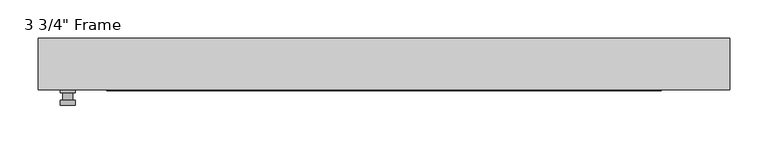
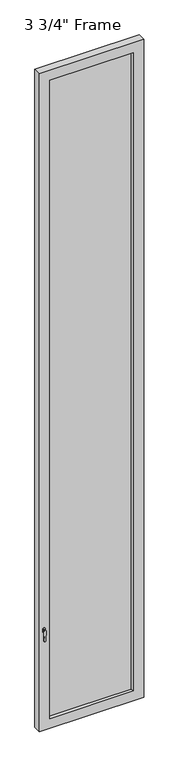
"""IFC4 building model written with IfcOpenShell, lengths in millimetres: plate geometry."""

from ifc_helpers import new_model, si_unit, frame, origin, place, context, project, spatial, polyline, circle_curve, outline, extrude, faceted_brep, source, transform, mapped, element, save
from ifc_brep_helpers import plane_surface, cylinder_surface, advanced_brep


def plate_3225b249(model_context):
    return source(origin(), model_context, "Body", "SolidModel", [
        advanced_brep(
        [(-401.6375, -33.3375, 927.1), (-401.6375, -33.3375, 901.7), (-420.6875, -33.3375, 901.7), (-420.6875, -33.3375, 927.1), (-404.8125, -46.0375, 914.4), (-417.5125, -46.0375, 914.4), (-417.5125, -36.5125, 914.4), (-404.8125, -36.5125, 914.4), (-401.6375, -46.0375, 914.4), (-404.8165356, -46.0375, 825.2736467), (-417.5084644, -46.0375, 825.2736467), (-420.6875, -46.0375, 914.4), (-401.6375, -52.3875, 914.4), (-420.6875, -52.3875, 914.4), (-417.5084644, -52.3875, 825.2736467), (-404.8165356, -52.3875, 825.2736467), (-401.6375, -36.5125, 927.1), (-420.6875, -36.5125, 927.1), (-420.6875, -36.5125, 901.7), (-401.6375, -36.5125, 901.7)],
        [
            (0, 1),
            (1, 2, circle_curve(frame((-411.1625, -33.3375, 901.7), z_axis=(0.0, 1.0, 0.0), x_axis=(-1.0, 0.0, 0.0)), 9.525)),
            (2, 3),
            (3, 0, circle_curve(frame((-411.1625, -33.3375, 927.1), z_axis=(0.0, 1.0, 0.0), x_axis=(-1.0, 0.0, 0.0)), 9.525)),
            (4, 5, circle_curve(frame((-411.1625, -46.0375, 914.4), z_axis=(0.0, 1.0, 0.0), x_axis=(-1.0, 0.0, 0.0)), 6.35)),
            (5, 6),
            (6, 7, circle_curve(frame((-411.1625, -36.5125, 914.4), z_axis=(0.0, -1.0, 0.0), x_axis=(-1.0, 0.0, 0.0)), 6.35)),
            (7, 4),
            (5, 4, circle_curve(frame((-411.1625, -46.0375, 914.4), z_axis=(0.0, 1.0, 0.0), x_axis=(-1.0, 0.0, 0.0)), 6.35)),
            (7, 6, circle_curve(frame((-411.1625, -36.5125, 914.4), z_axis=(0.0, -1.0, 0.0), x_axis=(-1.0, 0.0, 0.0)), 6.35)),
            (8, 9),
            (9, 10, circle_curve(frame((-411.1625, -46.0375, 825.5), z_axis=(0.0, 1.0, 0.0), x_axis=(-1.0, 0.0, 0.0)), 6.35)),
            (10, 11),
            (11, 8, circle_curve(frame((-411.1625, -46.0375, 914.4), z_axis=(0.0, 1.0, 0.0), x_axis=(-1.0, 0.0, 0.0)), 9.525)),
            (12, 13, circle_curve(frame((-411.1625, -52.3875, 914.4), z_axis=(0.0, -1.0, 0.0), x_axis=(-1.0, 0.0, 0.0)), 9.525)),
            (13, 14),
            (14, 15, circle_curve(frame((-411.1625, -52.3875, 825.5), z_axis=(0.0, -1.0, 0.0), x_axis=(-1.0, 0.0, 0.0)), 6.35)),
            (15, 12),
            (8, 12),
            (15, 9),
            (14, 10),
            (13, 11),
            (16, 17, circle_curve(frame((-411.1625, -36.5125, 927.1), z_axis=(0.0, -1.0, 0.0), x_axis=(-1.0, 0.0, 0.0)), 9.525)),
            (17, 18),
            (18, 19, circle_curve(frame((-411.1625, -36.5125, 901.7), z_axis=(0.0, -1.0, 0.0), x_axis=(-1.0, 0.0, 0.0)), 9.525)),
            (19, 16),
            (0, 16),
            (19, 1),
            (18, 2),
            (17, 3),
        ],
        [
            plane_surface(frame((-417.5125, -33.3375, 914.4), z_axis=(0.0, 1.0, 0.0), x_axis=(0.0, 0.0, 1.0))),
            cylinder_surface(frame((-411.1625, -46.0375, 914.4), z_axis=(0.0, 1.0, 0.0), x_axis=(-1.0, 0.0, 0.0)), 6.35),
            plane_surface(frame((-401.6375, -46.0375, 914.4), z_axis=(0.0, 1.0000000000000002, 0.0), x_axis=(-0.03564619348186888, 0.0, -0.9993644724975235))),
            plane_surface(frame((-401.6375, -52.3875, 914.4), z_axis=(0.0, -1.0000000000000002, 0.0), x_axis=(0.03564619348186888, 0.0, 0.9993644724975235))),
            plane_surface(frame((-401.6375, -46.0375, 914.4), z_axis=(0.9993644724975235, 0.0, -0.03564619348186888), x_axis=(0.0, -1.0, 0.0))),
            cylinder_surface(frame((-411.1625, -52.3875, 825.5), z_axis=(0.0, 1.0, 0.0), x_axis=(-1.0, 0.0, 0.0)), 6.35),
            plane_surface(frame((-417.5084644, -46.0375, 825.2736467), z_axis=(-0.9993644724975228, 0.0, -0.03564619348188612), x_axis=(0.0, -1.0, 0.0))),
            cylinder_surface(frame((-411.1625, -52.3875, 914.4), z_axis=(0.0, 1.0, 0.0), x_axis=(-1.0, 0.0, 0.0)), 9.525),
            plane_surface(frame((-401.6375, -36.5125, 901.7), z_axis=(0.0, -1.0, 0.0), x_axis=(0.0, 0.0, 1.0))),
            plane_surface(frame((-401.6375, -33.3375, 927.1), z_axis=(1.0, 0.0, 0.0), x_axis=(0.0, -1.0, 0.0))),
            cylinder_surface(frame((-411.1625, -36.5125, 901.7), z_axis=(0.0, 1.0, 0.0), x_axis=(-1.0, 0.0, 0.0)), 9.525),
            plane_surface(frame((-420.6875, -33.3375, 901.7), z_axis=(-1.0, 0.0, 0.0), x_axis=(0.0, -1.0, 0.0))),
            cylinder_surface(frame((-411.1625, -36.5125, 927.1), z_axis=(0.0, 1.0, 0.0), x_axis=(-1.0, 0.0, 0.0)), 9.525),
        ],
        [
            (0, [[1, 2, 3, 4]]),
            (1, [[5, 6, 7, 8]]),
            (1, [[9, -8, 10, -6]]),
            (2, [[11, 12, 13, 14], [-5, -9]]),
            (3, [[15, 16, 17, 18]]),
            (4, [[-11, 19, -18, 20]]),
            (5, [[-12, -20, -17, 21]]),
            (6, [[-13, -21, -16, 22]]),
            (7, [[-14, -22, -15, -19]]),
            (8, [[23, 24, 25, 26], [-7, -10]]),
            (9, [[-1, 27, -26, 28]]),
            (10, [[-2, -28, -25, 29]]),
            (11, [[-3, -29, -24, 30]]),
            (12, [[-4, -30, -23, -27]]),
        ],
    ),
        faceted_brep([(-449.2625, -33.3375, 0.0), (-449.2625, 33.3375, 0.0), (449.2625, 33.3375, 0.0), (449.2625, -33.3375, 0.0), (449.2625, -33.3375, 5997.575), (-449.2625, -33.3375, 5997.575), (-360.3625, -33.3375, 5908.675), (360.3625, -33.3375, 5908.675), (360.3625, -33.3375, 88.9), (-360.3625, -33.3375, 88.9), (-449.2625, 33.3375, 5997.575), (449.2625, 33.3375, 5997.575), (-360.3625, 33.3375, 5908.675), (-360.3625, 33.3375, 88.9), (360.3625, 33.3375, 88.9), (360.3625, 33.3375, 5908.675), (-354.0125, 11.90625, 5902.325), (-354.0125, 11.90625, 95.25), (366.7125, 11.90625, 5915.025), (-366.7125, 11.90625, 5915.025), (-366.7125, 11.90625, 82.55), (366.7125, 11.90625, 82.55), (354.0125, 11.90625, 5902.325), (354.0125, 11.90625, 95.25), (-366.7125, -11.90625, 5915.025), (-366.7125, -11.90625, 82.55), (366.7125, -11.90625, 5915.025), (366.7125, -11.90625, 82.55), (-354.0125, -11.90625, 5902.325), (-354.0125, -11.90625, 95.25), (354.0125, -11.90625, 95.25), (354.0125, -11.90625, 5902.325)], [[[0, 1, 2, 3]], [[0, 3, 4, 5], [6, 7, 8, 9]], [[1, 0, 5, 10]], [[2, 1, 10, 11], [12, 13, 14, 15]], [[12, 16, 17, 13]], [[18, 19, 20, 21], [16, 22, 23, 17]], [[20, 19, 24, 25]], [[24, 26, 27, 25], [28, 29, 30, 31]], [[28, 6, 9, 29]], [[5, 4, 11, 10]], [[12, 15, 22, 16]], [[19, 18, 26, 24]], [[7, 6, 28, 31]], [[4, 3, 2, 11]], [[22, 15, 14, 23]], [[27, 26, 18, 21]], [[7, 31, 30, 8]], [[9, 8, 30, 29]], [[21, 20, 25, 27]], [[17, 23, 14, 13]]]),
        extrude(outline(polyline([(366.7125, -11.90625), (-366.7125, -11.90625), (-366.7125, 11.90625), (366.7125, 11.90625), (366.7125, -11.90625)])), frame((0.0, 0.0, 82.55), z_axis=(0.0, 0.0, 1.0), x_axis=(1.0, 0.0, 0.0)), (0.0, 0.0, 1.0), 5832.475),
    ])


if __name__ == "__main__":
    model = new_model("IFC4")
    model_context = context("Model", 3, world=origin())
    ifc_project = project(units=[si_unit("LENGTHUNIT", "METRE", prefix="MILLI")], contexts=[model_context])
    site = spatial("IfcSite", under=ifc_project)
    building = spatial("IfcBuilding", under=site)
    placement = place(None, origin())
    plate_shape = plate_3225b249(model_context)
    element("IfcPlate", 1, ObjectType="3 3/4\" Frame", at=placement, inside=building, context=model_context, shape_type="MappedRepresentation", body=[
        mapped(plate_shape, transform((0.0, 0.0, 0.0), x_axis=(1.0, 0.0, 0.0), y_axis=(0.0, 1.0, 0.0), z_axis=(0.0, 0.0, 1.0))),
    ])
    save(model, "model.ifc")
